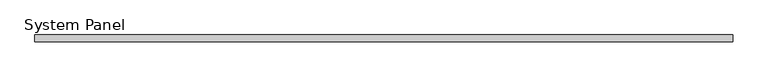
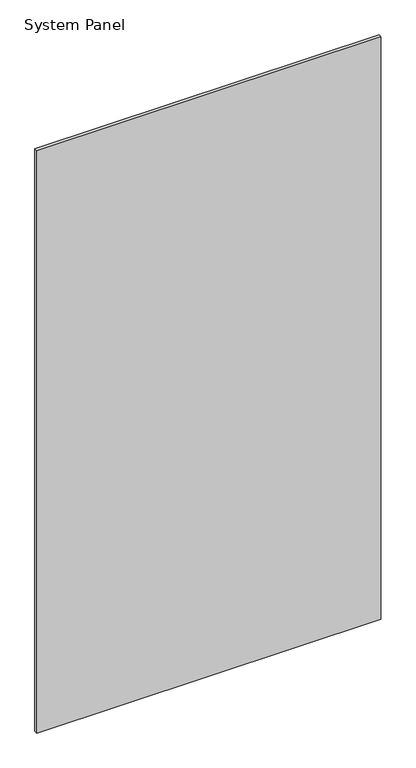
"""IFC4 building model written with IfcOpenShell, lengths in millimetres: plate geometry, System Panel."""

from ifc_helpers import new_model, si_unit, origin, origin_with_axes, place, context, project, spatial, polyline, outline, extrude, source, transform, mapped, element, save


def system_panel_59a7af7e(model_context):
    return source(origin(), model_context, "Body", "SweptSolid", [
        extrude(outline(polyline([(654.8437501, -12.7), (-654.8437501, -12.7), (-654.8437501, 0.0), (654.8437501, 0.0), (654.8437501, -12.7)])), origin_with_axes(), (0.0, 0.0, 1.0), 2343.15),
    ])


if __name__ == "__main__":
    model = new_model("IFC4")
    model_context = context("Model", 3, world=origin())
    ifc_project = project(units=[si_unit("LENGTHUNIT", "METRE", prefix="MILLI")], contexts=[model_context])
    site = spatial("IfcSite", under=ifc_project)
    building = spatial("IfcBuilding", under=site)
    placement = place(None, origin())
    system_panel_shape = system_panel_59a7af7e(model_context)
    element("IfcPlate", 1, ObjectType="System Panel", at=placement, inside=building, context=model_context, shape_type="MappedRepresentation", body=[
        mapped(system_panel_shape, transform((0.0, 0.0, 0.0), x_axis=(1.0, 0.0, 0.0), y_axis=(0.0, 1.0, 0.0), z_axis=(0.0, 0.0, 1.0))),
    ])
    save(model, "model.ifc")
